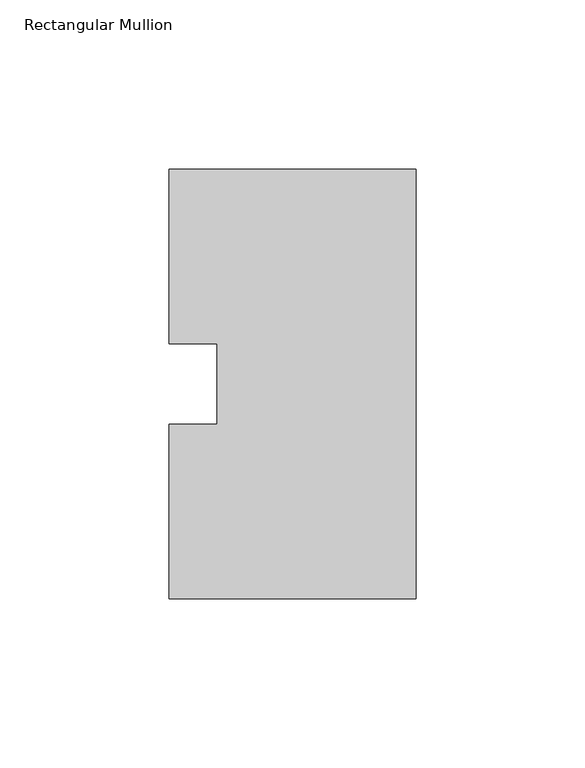
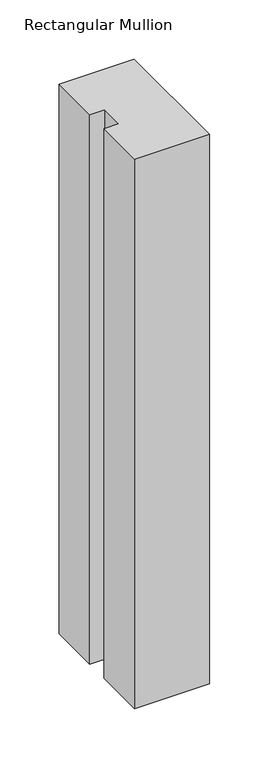
"""IFC4 building model written with IfcOpenShell, lengths in millimetres: member geometry, Rectangular Mullion."""

from ifc_helpers import new_model, si_unit, frame, origin, place, context, project, spatial, polyline, outline, extrude, source, transform, mapped, element, save


def rectangular_mullion_c80f99b8(model_context):
    return source(origin(), model_context, "Body", "SweptSolid", [
        extrude(outline(polyline([(0.0, 127.00635), (0.0, 0.00635), (-73.025, 0.00635), (-73.025, 51.60645), (-58.7375, 51.60645), (-58.7375, 75.40625), (-73.025, 75.40625), (-73.025, 127.00635), (0.0, 127.00635)])), frame((0.0, 0.0, -565.15), z_axis=(0.0, 0.0, 1.0), x_axis=(1.0, 0.0, 0.0)), (0.0, 0.0, 1.0), 565.15),
    ])


if __name__ == "__main__":
    model = new_model("IFC4")
    model_context = context("Model", 3, world=origin())
    ifc_project = project(units=[si_unit("LENGTHUNIT", "METRE", prefix="MILLI")], contexts=[model_context])
    site = spatial("IfcSite", under=ifc_project)
    building = spatial("IfcBuilding", under=site)
    placement = place(None, origin())
    rectangular_mullion_shape = rectangular_mullion_c80f99b8(model_context)
    element("IfcMember", 1, ObjectType="Rectangular Mullion", at=placement, inside=building, context=model_context, shape_type="MappedRepresentation", body=[
        mapped(rectangular_mullion_shape, transform((0.0, 0.0, 0.0), x_axis=(1.0, 0.0, 0.0), y_axis=(0.0, 1.0, 0.0), z_axis=(0.0, 0.0, 1.0))),
    ])
    save(model, "model.ifc")
